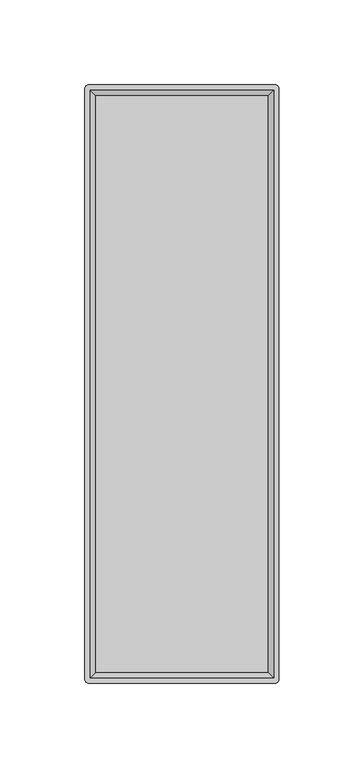
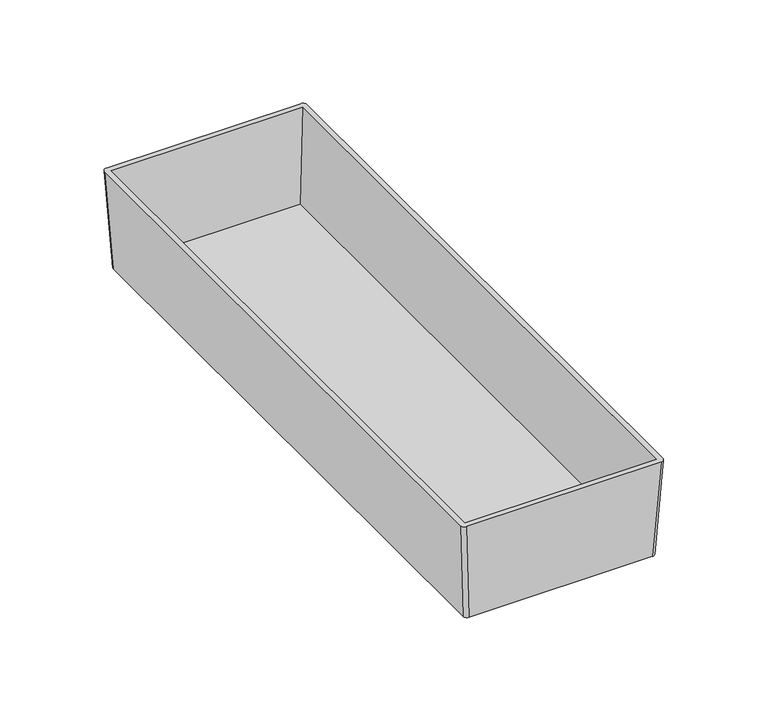
"""IFC4 building model written with IfcOpenShell, lengths in millimetres: furniture geometry."""

from ifc_helpers import new_model, si_unit, point, frame, origin, place, context, project, spatial, circle_curve, trimmed, source, transform, mapped, element, save
from ifc_brep_helpers import plane_surface, extruded_surface, advanced_brep


def furniture_d36111d6(model_context):
    return source(origin(), model_context, "Body", "AdvancedBrep", [
        advanced_brep(
        [(51.7525, 173.0375, 704.85), (53.975, 170.815, 704.85), (53.975, -170.815, 704.85), (51.7525, -173.0375, 704.85), (-51.7525, -173.0375, 704.85), (-53.975, -170.815, 704.85), (-53.975, 170.815, 704.85), (-51.7525, 173.0375, 704.85), (54.9275, 176.2125, 762.0), (-54.9275, 176.2125, 762.0), (-57.15, 173.99, 762.0), (-57.15, -173.99, 762.0), (-54.9275, -176.2125, 762.0), (54.9275, -176.2125, 762.0), (57.15, -173.99, 762.0), (57.15, 173.99, 762.0), (-53.975, 173.0375, 762.0), (53.975, 173.0375, 762.0), (53.975, -173.0375, 762.0), (-53.975, -173.0375, 762.0), (50.8, 169.8625, 707.39), (-50.8, 169.8625, 707.39), (-50.8, -169.8625, 707.39), (50.8, -169.8625, 707.39)],
        [
            (0, 1, circle_curve(frame((51.7525, 170.815, 704.85), z_axis=(0.0, 0.0, -1.0), x_axis=(-1.0, 0.0, 0.0)), 2.2225)),
            (1, 2),
            (2, 3, circle_curve(frame((51.7525, -170.815, 704.85), z_axis=(0.0, 0.0, -1.0), x_axis=(-1.0, 0.0, 0.0)), 2.2225)),
            (3, 4),
            (4, 5, circle_curve(frame((-51.7525, -170.815, 704.85), z_axis=(0.0, 0.0, -1.0), x_axis=(-1.0, 0.0, 0.0)), 2.2225)),
            (5, 6),
            (6, 7, circle_curve(frame((-51.7525, 170.815, 704.85), z_axis=(0.0, 0.0, -1.0), x_axis=(-1.0, 0.0, 0.0)), 2.2225)),
            (7, 0),
            (8, 9),
            (9, 10, circle_curve(frame((-54.9275, 173.99, 762.0), z_axis=(0.0, 0.0, 1.0), x_axis=(-1.0, 0.0, 0.0)), 2.2225)),
            (10, 11),
            (11, 12, circle_curve(frame((-54.9275, -173.99, 762.0), z_axis=(0.0, 0.0, 1.0), x_axis=(-1.0, 0.0, 0.0)), 2.2225)),
            (12, 13),
            (13, 14, circle_curve(frame((54.9275, -173.99, 762.0), z_axis=(0.0, 0.0, 1.0), x_axis=(-1.0, 0.0, 0.0)), 2.2225)),
            (14, 15),
            (15, 8, circle_curve(frame((54.9275, 173.99, 762.0), z_axis=(0.0, 0.0, 1.0), x_axis=(-1.0, 0.0, 0.0)), 2.2225)),
            (16, 17),
            (17, 18),
            (18, 19),
            (19, 16),
            (7, 9),
            (8, 0),
            (6, 10),
            (5, 11),
            (4, 12),
            (3, 13),
            (2, 14),
            (1, 15),
            (20, 21),
            (21, 22),
            (22, 23),
            (23, 20),
            (20, 17),
            (16, 21),
            (19, 22),
            (18, 23),
        ],
        [
            plane_surface(frame((0.0, 0.0, 704.85), z_axis=(0.0, 0.0, -1.0), x_axis=(-1.0, 0.0, 0.0))),
            plane_surface(frame((0.0, 0.0, 762.0), z_axis=(0.0, 0.0, 1.0), x_axis=(-1.0, 0.0, 0.0))),
            plane_surface(frame((0.0, 176.2125, 762.0), z_axis=(0.0, 0.9984603532054104, -0.05547001962256064), x_axis=(1.0, 0.0, 0.0))),
            extruded_surface(trimmed(circle_curve(frame((-54.9275, 173.99, 762.0), z_axis=(0.0, 0.0, -1.0), x_axis=(-1.0, 0.0, 0.0)), 2.2225), [point((-57.15, 173.99, 762.0))], [point((-54.9275, 176.2125, 762.0))], True, "CARTESIAN"), (3.1750000000000043, -3.1750000000000114, -57.14999999999998), 57.326117520725205),
            plane_surface(frame((-57.15, 0.0, 762.0), z_axis=(-0.998460353205411, 0.0, -0.05547001962254796), x_axis=(0.0, 1.0, 0.0))),
            extruded_surface(trimmed(circle_curve(frame((-54.9275, -173.99, 762.0), z_axis=(0.0, 0.0, -1.0), x_axis=(-1.0, 0.0, 0.0)), 2.2225), [point((-54.9275, -176.2125, 762.0))], [point((-57.15, -173.99, 762.0))], True, "CARTESIAN"), (3.1750000000000043, 3.1750000000000114, -57.14999999999998), 57.326117520725205),
            plane_surface(frame((0.0, -176.2125, 762.0), z_axis=(0.0, -0.9984603532055267, -0.05547001962046713), x_axis=(-1.0, 0.0, 0.0))),
            extruded_surface(trimmed(circle_curve(frame((54.9275, -173.99, 762.0), z_axis=(0.0, 0.0, -1.0), x_axis=(-1.0, 0.0, 0.0)), 2.2225), [point((57.15, -173.99, 762.0))], [point((54.9275, -176.2125, 762.0))], True, "CARTESIAN"), (-3.1750000000000043, 3.1750000000000114, -57.14999999999998), 57.326117520725205),
            plane_surface(frame((57.15, 0.0, 762.0), z_axis=(0.998460353205429, 0.0, -0.055470019622225274), x_axis=(0.0, -1.0, 0.0))),
            extruded_surface(trimmed(circle_curve(frame((54.9275, 173.99, 762.0), z_axis=(0.0, 0.0, -1.0), x_axis=(-1.0, 0.0, 0.0)), 2.2225), [point((54.9275, 176.2125, 762.0))], [point((57.15, 173.99, 762.0))], True, "CARTESIAN"), (-3.1750000000000043, -3.1750000000000114, -57.14999999999998), 57.326117520725205),
            plane_surface(frame((0.0, 0.0, 707.39), z_axis=(0.0, 0.0, 1.0), x_axis=(-1.0, 0.0, 0.0))),
            plane_surface(frame((0.0, 173.0375, 762.0), z_axis=(0.0, -0.9983141698791151, 0.05804152150463695), x_axis=(1.0, 0.0, 0.0))),
            plane_surface(frame((-53.975, 0.0, 762.0), z_axis=(0.9983141698791161, 0.0, 0.058041521504619685), x_axis=(0.0, 1.0, 0.0))),
            plane_surface(frame((0.0, -173.0375, 762.0), z_axis=(0.0, 0.9983141698789251, 0.0580415215079058), x_axis=(-1.0, 0.0, 0.0))),
            plane_surface(frame((53.975, 0.0, 762.0), z_axis=(-0.998314169879097, 0.0, 0.058041521504948144), x_axis=(0.0, -1.0, 0.0))),
        ],
        [
            (0, [[1, 2, 3, 4, 5, 6, 7, 8]]),
            (1, [[9, 10, 11, 12, 13, 14, 15, 16], [17, 18, 19, 20]]),
            (2, [[-8, 21, -9, 22]]),
            (3, [[-7, 23, -10, -21]]),
            (4, [[-6, 24, -11, -23]]),
            (5, [[-5, 25, -12, -24]]),
            (6, [[-4, 26, -13, -25]]),
            (7, [[-3, 27, -14, -26]]),
            (8, [[-2, 28, -15, -27]]),
            (9, [[-1, -22, -16, -28]]),
            (10, [[29, 30, 31, 32]]),
            (11, [[-29, 33, -17, 34]]),
            (12, [[-30, -34, -20, 35]]),
            (13, [[-31, -35, -19, 36]]),
            (14, [[-32, -36, -18, -33]]),
        ],
    ),
    ])


if __name__ == "__main__":
    model = new_model("IFC4")
    model_context = context("Model", 3, world=origin())
    ifc_project = project(units=[si_unit("LENGTHUNIT", "METRE", prefix="MILLI")], contexts=[model_context])
    site = spatial("IfcSite", under=ifc_project)
    building = spatial("IfcBuilding", under=site)
    placement = place(None, origin())
    furniture_shape = furniture_d36111d6(model_context)
    element("IfcFurniture", 1, at=placement, inside=building, context=model_context, shape_type="MappedRepresentation", body=[
        mapped(furniture_shape, transform((0.0, 0.0, 0.0), x_axis=(1.0, 0.0, 0.0), y_axis=(0.0, 1.0, 0.0), z_axis=(0.0, 0.0, 1.0))),
    ])
    save(model, "model.ifc")
